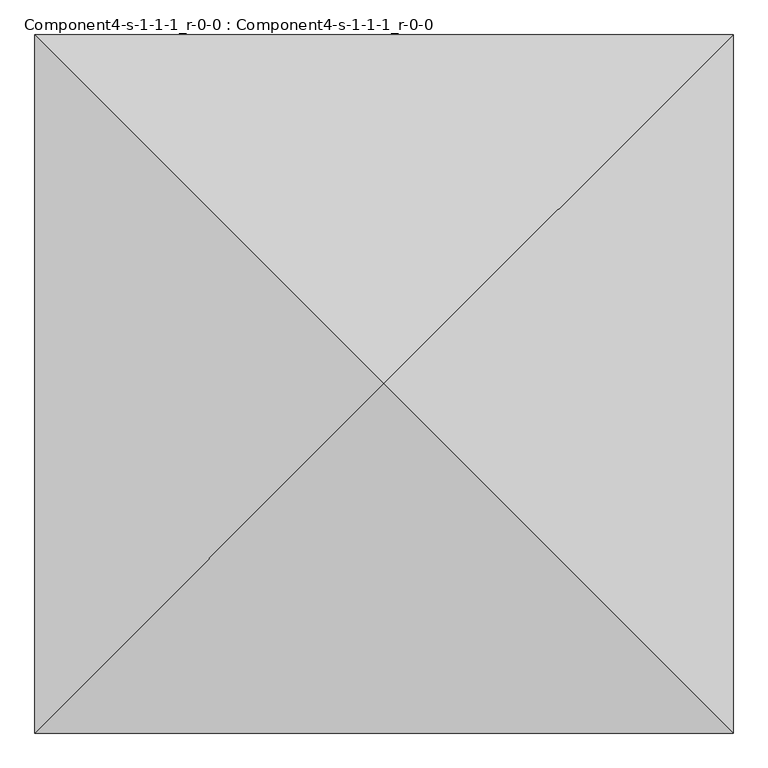
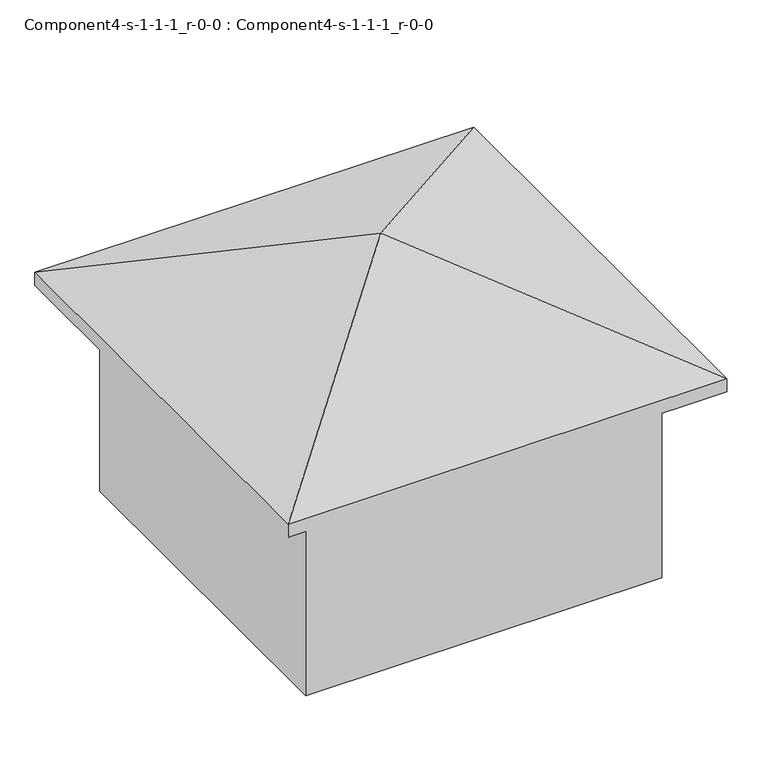
"""IFC4 building model written with IfcOpenShell, lengths in millimetres: geographic element geometry, Component4-s-1-1-1_r-0-0 : Component4-s-1-1-1_r-0-0."""

from ifc_helpers import new_model, si_unit, origin, place, context, project, spatial, triangles, source, transform, mapped, element, save


def component4_s_1_1_1_r_0_0_component4_s_1_1_1_r_0_0_ce4c2e45(model_context):
    return source(origin(), model_context, "Body", "Tessellation", [
        triangles([(3240.4844719, 3240.4844719, 4705.35), (0.0, 6480.9689438, 3263.8999031), (0.0, 0.0, 3263.8999031), (6480.9689438, 6480.9689438, 3263.8999031), (6480.9689438, 0.0, 3263.8999031), (6480.9689438, 6480.9689438, 3060.7000969), (0.0, 0.0, 3060.7000969), (0.0, 6480.9689438, 3060.7000969), (6480.9689438, 0.0, 3060.7000969), (5871.3689438, 5871.3689438, 0.0), (609.6, 609.6, 0.0), (609.6, 5871.3689438, 0.0), (5871.3689438, 609.6, 0.0), (5871.3689438, 609.6, 3263.8999031), (609.6, 609.6, 3263.8999031), (5871.3689438, 5871.3689438, 3263.8999031), (609.6, 5871.3689438, 3263.8999031)], [[1, 2, 3], [4, 2, 1], [5, 1, 3], [4, 1, 5], [6, 7, 8], [7, 6, 9], [2, 7, 3], [7, 2, 8], [2, 6, 8], [6, 2, 4], [6, 5, 9], [5, 6, 4], [5, 7, 9], [7, 5, 3], [10, 11, 12], [11, 10, 13], [14, 11, 13], [11, 14, 15], [10, 14, 13], [14, 10, 16], [17, 10, 12], [10, 17, 16], [17, 11, 15], [11, 17, 12], [14, 17, 15], [17, 14, 16]]),
    ])


if __name__ == "__main__":
    model = new_model("IFC4")
    model_context = context("Model", 3, world=origin())
    ifc_project = project(units=[si_unit("LENGTHUNIT", "METRE", prefix="MILLI")], contexts=[model_context])
    site = spatial("IfcSite", under=ifc_project)
    building = spatial("IfcBuilding", under=site)
    placement = place(None, origin())
    component4_s_1_1_1_r_0_0_component4_s_1_1_1_r_0_0_shape = component4_s_1_1_1_r_0_0_component4_s_1_1_1_r_0_0_ce4c2e45(model_context)
    element("IfcGeographicElement", 1, ObjectType="Component4-s-1-1-1_r-0-0 : Component4-s-1-1-1_r-0-0", at=placement, inside=building, context=model_context, shape_type="MappedRepresentation", body=[
        mapped(component4_s_1_1_1_r_0_0_component4_s_1_1_1_r_0_0_shape, transform((0.0, 0.0, 0.0), x_axis=(1.0, 0.0, 0.0), y_axis=(0.0, 1.0, 0.0), z_axis=(0.0, 0.0, 1.0))),
    ])
    save(model, "model.ifc")
